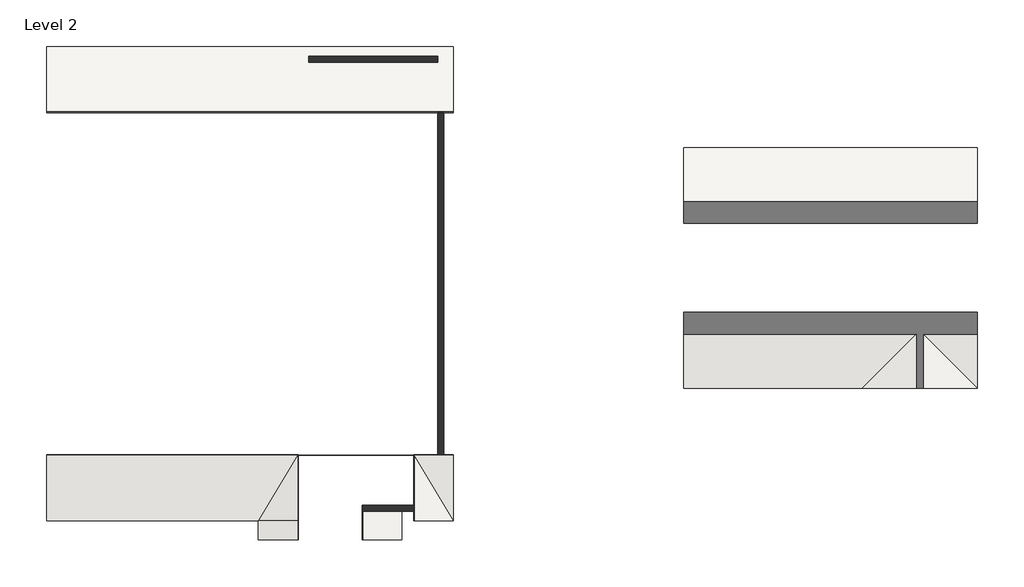
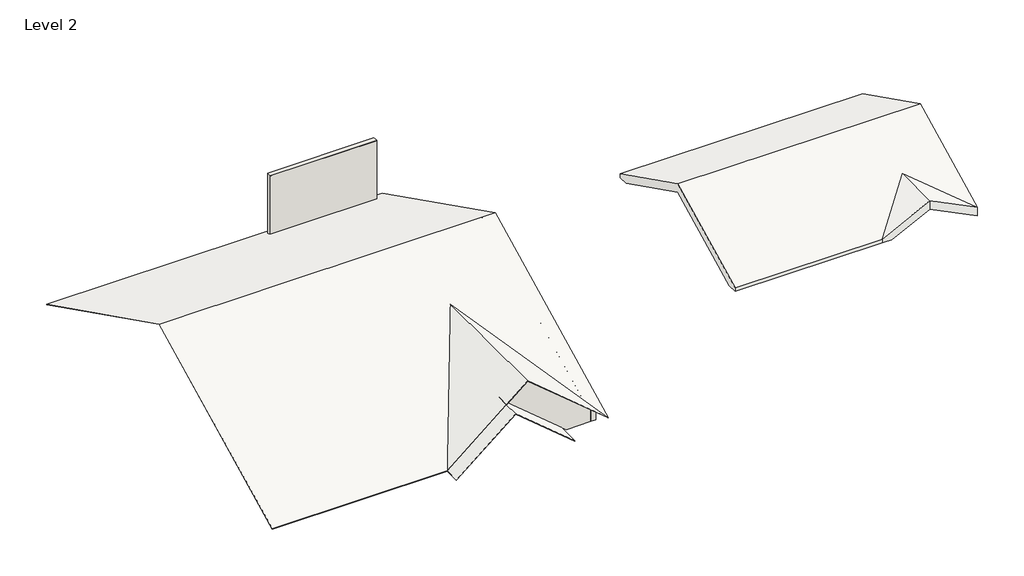
# One storey: 3 roofs, 3 walls.
"""IFC4 building model written with IfcOpenShell, lengths in millimetres."""

from ifc_helpers import new_model, si_unit, frame, origin, place, context, project, spatial, polyline, outline, extrude, faceted_brep, element, save

model = new_model("IFC4")

# Units and contexts
model_context = context("Model", 3, world=origin())
ifc_project = project(units=[si_unit("LENGTHUNIT", "METRE", prefix="MILLI")], contexts=[model_context])

# Site, building, storey
site = spatial("IfcSite", under=ifc_project)
building = spatial("IfcBuilding", under=site)
storey = spatial("IfcBuildingStorey", under=building, Name="Level 2", Elevation=2771.775)

# Roofs
placement = place(None, origin())
element("IfcRoof", 1, ObjectType="Generic - 12\"", at=placement, inside=storey, context=model_context, shape_type="Brep", body=[
    faceted_brep([(19825.9987755, 7660.3905784, 4676.775), (19825.9987755, 11093.6370589, 2960.1517598), (29122.3987755, 11093.6370589, 2960.1517598), (29122.3987755, 7660.3905784, 4676.775), (19825.9987755, 11470.3905784, 3112.5517598), (19825.9987755, 7660.3905784, 5017.5517598), (29122.3987755, 7660.3905784, 5017.5517598), (29122.3987755, 11470.3905784, 3112.5517598), (19825.9987755, 11470.3905784, 2960.1517598), (29122.3987755, 11470.3905784, 2960.1517598), (19825.9987755, 4227.1440979, 2960.1517598), (29122.3987755, 3850.3905784, 2771.775), (27293.5987755, 5679.1905784, 3686.175), (25841.552295, 4227.1440979, 2960.1517598), (19825.9987755, 3850.3905784, 3112.5517598), (25464.7987755, 3850.3905784, 3112.5517598), (27293.5987755, 5679.1905784, 4026.9517598), (29122.3987755, 3850.3905784, 3112.5517598), (25464.7987755, 3850.3905784, 2960.1517598), (19825.9987755, 3850.3905784, 2960.1517598), (25841.552295, 3850.3905784, 2960.1517598), (27293.5987755, 3850.3905784, 3686.175), (27293.5987755, 3850.3905784, 4026.9517598)], [[[0, 1, 2, 3]], [[4, 5, 6, 7]], [[8, 4, 7, 9]], [[8, 9, 2, 1]], [[10, 0, 3, 11, 12, 13]], [[14, 15, 16, 17, 6, 5]], [[18, 15, 14, 19]], [[18, 19, 10, 13, 20]], [[14, 5, 4, 8, 1, 0, 10, 19]], [[7, 6, 17, 11, 3, 2, 9]], [[11, 21, 12]], [[22, 17, 16]], [[20, 13, 12, 21]], [[15, 22, 16]], [[22, 15, 18, 20, 21]], [[17, 22, 21, 11]]]),
])
element("IfcRoof", 2, ObjectType="Roof-Residential", at=placement, inside=storey, context=model_context, shape_type="Brep", body=[
    faceted_brep([(-341.3125, -341.3125, 2924.175), (-341.3125, 7162.8, 6676.23125), (12533.3125, 7162.8, 6676.23125), (12533.3125, -341.3125, 2924.175), (9450.0246483, 4797.5005861, 5493.5815431), (6366.7367967, -341.3125, 2924.175), (6364.2875, -341.3125, 2924.175), (-341.3125, 14666.9125, 2924.175), (12533.3125, 14666.9125, 2924.175), (-341.3125, -341.3125, 2936.5991527), (6364.2875, -341.3125, 2936.5991527), (9450.0246483, 4801.5827472, 5508.0467763), (12533.3125, -337.2303389, 2938.6402333), (12533.3125, 7162.8, 6688.6554027), (-341.3125, 7162.8, 6688.6554027), (12533.3125, 14666.9125, 2936.5991527), (-341.3125, 14666.9125, 2936.5991527), (9450.0246483, -341.3125, 5493.5815431), (9448.8, -341.3125, 5492.5610028), (8644.67914, -341.3125, 4822.4602861), (8644.67914, 152.4, 4822.4602861), (8636.0, 152.4, 4815.2276694), (8636.0, -341.3125, 4815.2276694), (9450.0246483, -341.3125, 5508.0467763), (12533.3125, -341.3125, 2938.6402333), (8636.0, -341.3125, 4829.6929027), (9448.8, -341.3125, 5507.026236), (8636.0, 152.4, 4829.6929027)], [[[0, 1, 2, 3, 4, 5, 6]], [[2, 1, 7, 8]], [[9, 10, 11, 12, 13, 14]], [[14, 13, 15, 16]], [[10, 9, 0, 6]], [[16, 15, 8, 7]], [[1, 0, 9, 14, 16, 7]], [[4, 3, 17]], [[5, 4, 17, 18, 19, 20, 21, 22]], [[12, 11, 23, 24]], [[11, 10, 25, 26, 23]], [[3, 2, 8, 15, 13, 12, 24]], [[10, 6, 5, 22, 25]], [[18, 26, 25, 19]], [[17, 3, 24, 23, 26, 18]], [[25, 27, 20, 19]], [[27, 21, 20]], [[27, 25, 22, 21]]]),
])
element("IfcRoof", 3, ObjectType="Roof-Residential", at=placement, inside=storey, context=model_context, shape_type="Brep", body=[
    faceted_brep([(8636.0, -950.9125, 4815.2276694), (6364.2875, -950.9125, 2922.1339194), (6364.2875, -341.3125, 2922.1339194), (6366.7367967, -341.3125, 2924.175), (8636.0, -341.3125, 4815.2276694), (10907.7125, 152.4, 2922.1339194), (10907.7125, -950.9125, 2922.1339194), (8636.0, 152.4, 4815.2276694), (6364.2875, -950.9125, 2936.5991527), (8636.0, -950.9125, 4829.6929027), (8636.0, -341.3125, 4829.6929027), (6364.2875, -341.3125, 2936.5991527), (10907.7125, -950.9125, 2936.5991527), (10907.7125, 152.4, 2936.5991527), (8644.67914, 152.4, 4822.4602861), (8636.0, 152.4, 4829.6929027)], [[[0, 1, 2, 3, 4]], [[5, 6, 0, 4, 7]], [[8, 9, 10, 11]], [[12, 13, 14, 15, 10, 9]], [[5, 13, 12, 6]], [[1, 8, 11, 2]], [[12, 9, 8, 1, 0, 6]], [[11, 10, 4, 3, 2]], [[15, 14, 13, 5, 7]], [[10, 15, 7, 4]]]),
])

# Walls
element("IfcWall", 4, ObjectType="Exterior - Siding on Wood Stud (2x6)", at=placement, inside=storey, context=model_context, shape_type="Brep", body=[
    faceted_brep([(12039.6, 14362.1125, 2771.775), (12039.6, 14173.2, 2771.775), (12039.6, 152.4, 2771.775), (12039.6, -36.5125, 2771.775), (12039.6, -36.5125, 3335.6020833), (12039.6, 152.4, 3335.6020833), (12039.6, 481.5416667, 3335.6020833), (12039.6, 7162.8, 6676.23125), (12039.6, 14362.1125, 3076.575), (12228.5125, 14362.1125, 2771.775), (12228.5125, 14362.1125, 3076.575), (12228.5125, 7162.8, 6676.23125), (12228.5125, 166.6875, 3178.175), (12228.5125, -36.5125, 3178.175), (12228.5125, -36.5125, 2771.775)], [[[0, 1, 2, 3, 4, 5, 6, 7, 8]], [[9, 10, 11, 12, 13, 14]], [[3, 2, 1, 0, 9, 14]], [[4, 3, 14, 13]], [[0, 8, 10, 9]], [[8, 7, 11, 10]], [[7, 6, 12, 11]], [[6, 5, 4, 13, 12]]]),
])
element("IfcWall", 5, ObjectType="Exterior - Siding on Wood Stud (2x6)", at=placement, inside=storey, context=model_context, shape_type="SweptSolid", body=[
    extrude(outline(polyline([(2771.775, 12039.6), (3335.6020833, 12039.6), (5493.5815431, 9450.0246483), (4822.4602861, 8644.67914), (2771.775, 11105.5014832), (2771.775, 12039.6)])), frame((0.0, -36.5125, 0.0), z_axis=(0.0, 1.0, 0.0), x_axis=(0.0, 0.0, 1.0)), (0.0, 0.0, 1.0), 188.9125),
])
element("IfcWall", 6, ObjectType="Exterior - Siding on Wood Stud (2x6)", at=placement, inside=storey, context=model_context, shape_type="Brep", body=[
    faceted_brep([(12039.6, 14362.1125, 2771.775), (7961.3125, 14362.1125, 2771.775), (7961.3125, 14362.1125, 5543.55), (12039.6, 14362.1125, 5543.55), (12039.6, 14362.1125, 3076.575), (12039.6, 14173.2, 2771.775), (12039.6, 14173.2, 5543.55), (7961.3125, 14173.2, 5543.55), (7961.3125, 14173.2, 2771.775), (7961.3125, 14185.9, 5543.55), (12039.6, 14185.9, 5543.55)], [[[0, 1, 2, 3, 4]], [[5, 6, 7, 8]], [[1, 0, 5, 8]], [[2, 1, 8, 7, 9]], [[3, 2, 9, 10]], [[9, 7, 6, 10]], [[0, 4, 3, 10, 6, 5]]]),
])

save(model, "model.ifc")
